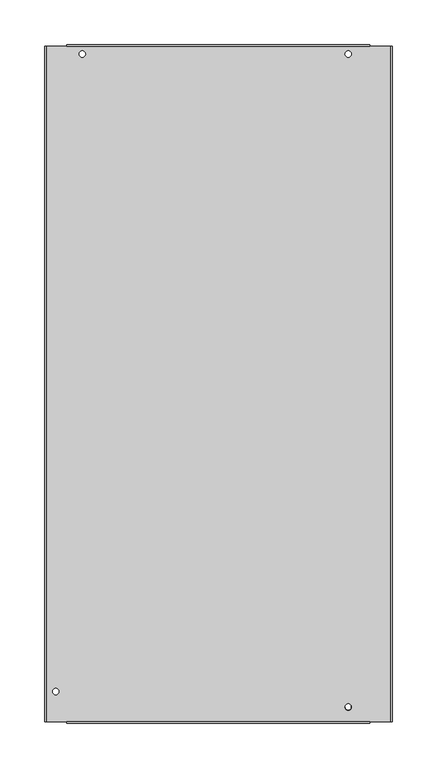
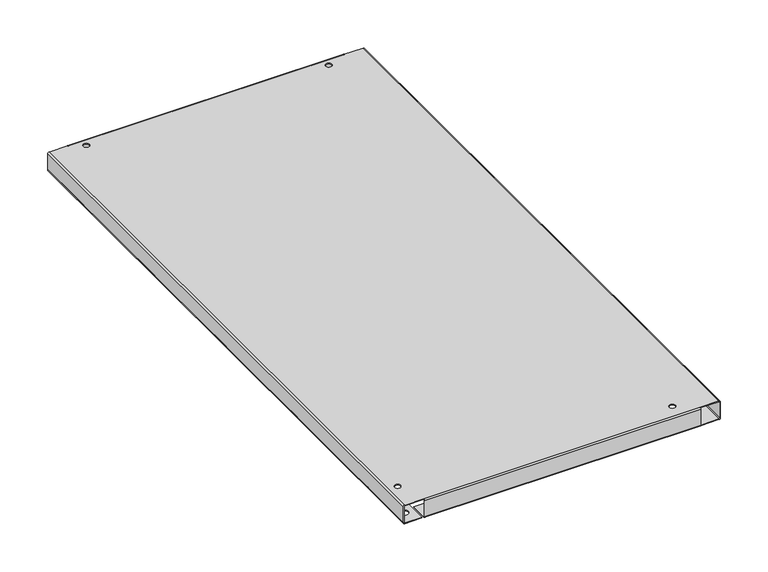
"""IFC4 building model written with IfcOpenShell, lengths in millimetres: proxy geometry."""

from ifc_helpers import new_model, si_unit, frame, origin, place, context, project, spatial, polyline, circle_curve, source, transform, mapped, element, save
from ifc_brep_helpers import plane_surface, cylinder_surface, revolved_surface, advanced_brep


def generic_models_75a52740(model_context):
    return source(origin(), model_context, "Body", "AdvancedBrep", [
        advanced_brep(
        [(-349.8094742, 743.1951179, -23.27656), (-349.8094742, 743.1951179, -22.42312), (-357.0484742, 743.1951179, -22.42312), (-357.0484742, 743.1951179, -23.27656), (-349.8094742, 743.1951179, 0.0), (-349.8094742, 743.1951179, 0.85344), (-357.0484742, 743.1951179, 0.85344), (-357.0484742, 743.1951179, 0.0), (-51.3556642, 10.1841379, 0.0), (-51.3556642, 10.1841379, 0.85344), (-58.5946642, 10.1841379, 0.85344), (-58.5946642, 10.1841379, 0.0), (-379.5985942, 27.6517179, -23.27656), (-379.5985942, 27.6517179, -22.42312), (-386.8375942, 27.6517179, -22.42312), (-386.8375942, 27.6517179, -23.27656), (-379.5985942, 27.6517179, 0.0), (-379.5985942, 27.6517179, 0.85344), (-386.8375942, 27.6517179, 0.85344), (-386.8375942, 27.6517179, 0.0), (-51.3594742, 743.1951179, -23.27656), (-51.3594742, 743.1951179, -22.42312), (-58.5984742, 743.1951179, -22.42312), (-58.5984742, 743.1951179, -23.27656), (-51.3594742, 743.1951179, 0.0), (-51.3594742, 743.1951179, 0.85344), (-58.5984742, 743.1951179, 0.85344), (-58.5984742, 743.1951179, 0.0), (-389.5630142, 10.5016379, -22.42312), (-389.5630142, 10.5016379, -23.27656), (-380.0380142, 10.5016379, -23.27656), (-380.0380142, 10.5016379, -22.42312), (-389.5630142, 742.8725379, -22.42312), (-389.5630142, 742.8725379, -23.27656), (-380.0380142, 742.8725379, -23.27656), (-380.0380142, 742.8725379, -22.42312), (-197.4568295, 7.0243779, -22.42312), (-197.4568295, 7.0243779, -23.27656), (-187.9318295, 7.0243779, -23.27656), (-187.9318295, 7.0243779, -22.42312), (-339.6968295, 7.0243779, -22.42312), (-339.6968295, 7.0243779, -23.27656), (-330.1718295, 7.0243779, -23.27656), (-330.1718295, 7.0243779, -22.42312), (-154.3209142, 746.8120779, -22.42312), (-154.3209142, 746.8120779, -23.27656), (-144.7959142, 746.8120779, -23.27656), (-144.7959142, 746.8120779, -22.42312), (-225.0878542, 741.1783579, -22.42312), (-225.0878542, 741.1783579, -23.27656), (-215.5628542, 741.1783579, -23.27656), (-215.5628542, 741.1783579, -22.42312), (-334.3180142, 743.7183579, -22.42312), (-334.3180142, 743.7183579, -23.27656), (-324.7930142, 743.7183579, -23.27656), (-324.7930142, 743.7183579, -22.42312), (-385.9562142, 564.6508979, -22.42312), (-385.9562142, 564.6508979, -23.27656), (-376.4312142, 564.6508979, -23.27656), (-376.4312142, 564.6508979, -22.42312), (-389.5630142, 342.1011779, -22.42312), (-389.5630142, 342.1011779, -23.27656), (-380.0380142, 342.1011779, -23.27656), (-380.0380142, 342.1011779, -22.42312), (-385.9562142, 691.6508979, -22.42312), (-385.9562142, 691.6508979, -23.27656), (-376.4312142, 691.6508979, -23.27656), (-376.4312142, 691.6508979, -22.42312), (-313.9878542, 741.1783579, -22.42312), (-313.9878542, 741.1783579, -23.27656), (-304.4628542, 741.1783579, -23.27656), (-304.4628542, 741.1783579, -22.42312), (-204.7526142, 743.7183579, -22.42312), (-204.7526142, 743.7183579, -23.27656), (-195.2276142, 743.7183579, -23.27656), (-195.2276142, 743.7183579, -22.42312), (-268.5768295, 7.0243779, -22.42312), (-268.5768295, 7.0243779, -23.27656), (-259.0518295, 7.0243779, -23.27656), (-259.0518295, 7.0243779, -22.42312), (-387.0230142, 394.5115379, -22.42312), (-387.0230142, 394.5115379, -23.27656), (-377.4980142, 394.5115379, -23.27656), (-377.4980142, 394.5115379, -22.42312), (-389.3487313, 372.0886677, -23.27656), (-386.8087313, 380.2674677, -23.27656), (-386.8087313, 380.2674677, -22.42312), (-389.3487313, 372.0886677, -22.42312), (-132.4970636, 751.2125425, -23.27656), (-122.9912322, 747.2780825, -23.27656), (-122.9912322, 747.2780825, -22.42312), (-132.4970636, 751.2125425, -22.42312), (-126.6339334, 738.4771534, -23.27656), (-136.1397648, 742.4116134, -23.27656), (-136.1397648, 742.4116134, -22.42312), (-126.6339334, 738.4771534, -22.42312), (-377.7122971, 377.4424882, -23.27656), (-380.2522971, 369.2636882, -23.27656), (-380.2522971, 369.2636882, -22.42312), (-377.7122971, 377.4424882, -22.42312), (-370.7390742, 752.1867179, -23.27656), (-30.5162342, 752.1867179, -23.27656), (-30.5162342, 731.0335979, -23.27656), (-370.7390742, 731.0335979, -23.27656), (-394.1070742, -6.4249221, -23.27656), (-394.1070742, 752.1867179, -23.27656), (-372.9539542, 752.1867179, -23.27656), (-372.9539542, -6.4249221, -23.27656), (-394.1070742, 752.1867179, -22.42312), (-394.1070742, -6.4249221, -22.42312), (-372.9539542, -6.4249221, -22.42312), (-372.9539542, 752.1867179, -22.42312), (-51.3556642, 14.7281979, -23.27656), (-51.3556642, 10.1841379, -23.27656), (-51.3556642, 10.1841379, -22.42312), (-51.3556642, 14.7281979, -22.42312), (-58.5946642, 10.1841379, -23.27656), (-58.5946642, 14.7281979, -23.27656), (-58.5946642, 14.7281979, -22.42312), (-58.5946642, 10.1841379, -22.42312), (-120.0500828, 14.7281979, -23.27656), (-120.0500828, 10.5016379, -23.27656), (-120.0500828, 10.5016379, -22.42312), (-120.0500828, 14.7281979, -22.42312), (-129.6448142, 9.6507379, -23.27656), (-129.6448142, 14.7281979, -23.27656), (-129.6448142, 14.7281979, -22.42312), (-129.6448142, 9.6507379, -22.42312), (-102.3398142, 14.7281979, -23.27656), (-102.3398142, 9.6507379, -23.27656), (-102.3398142, 9.6507379, -22.42312), (-102.3398142, 14.7281979, -22.42312), (-111.8648142, 9.6507379, -23.27656), (-111.8648142, 14.7281979, -23.27656), (-111.8648142, 14.7281979, -22.42312), (-111.8648142, 9.6507379, -22.42312), (-120.1199661, 9.6887697, -23.27656), (-120.1199661, 9.6887697, -22.42312), (-370.7390742, 14.7281979, -22.42312), (-370.7390742, -6.4249221, -22.42312), (-30.5162342, -6.4249221, -22.42312), (-30.5162342, 14.7281979, -22.42312), (-30.5162342, 14.7281979, -23.27656), (-30.5162342, -6.4249221, -23.27656), (-370.7390742, -6.4249221, -23.27656), (-370.7390742, 14.7281979, -23.27656), (-30.5162342, -8.1318021, -21.56968), (-370.7390742, -8.1318021, -21.56968), (-30.5162342, -7.2783621, -21.56968), (-370.7390742, -7.2783621, -21.56968), (-370.7390742, 753.8935979, -21.56968), (-30.5162342, 753.8935979, -21.56968), (-30.5162342, 752.1867179, -22.42312), (-30.5162342, 731.0335979, -22.42312), (-370.7390742, 752.1867179, -22.42312), (-370.7390742, 731.0335979, -22.42312), (-370.7390742, 753.0401579, -21.56968), (-30.5162342, 753.0401579, -21.56968), (-395.8139542, -6.4249221, -21.56968), (-395.8139542, 752.1867179, -21.56968), (-394.9605142, -6.4249221, -21.56968), (-394.9605142, 752.1867179, -21.56968), (-7.1482342, -6.4249221, -23.27656), (-7.1482342, 752.1867179, -23.27656), (-5.4413542, 752.1867179, -21.56968), (-5.4413542, -6.4249221, -21.56968), (-7.1482342, -6.4249221, -22.42312), (-28.3013542, -6.4249221, -22.42312), (-28.3013542, -6.4249221, -23.27656), (-7.1482342, 752.1867179, -22.42312), (-28.3013542, 752.1867179, -22.42312), (-6.2947942, 752.1867179, -21.56968), (-6.2947942, -6.4249221, -21.56968), (-28.3013542, 752.1867179, -23.27656), (-370.7390742, -8.1318021, -0.85344), (-370.7390742, -6.4249221, 0.85344), (-370.7390742, -6.4249221, 0.0), (-370.7390742, -7.2783621, -0.85344), (-30.5162342, -8.1318021, -0.85344), (-30.5162342, 753.8935979, -0.85344), (-30.5162342, 752.1867179, 0.85344), (-30.5162342, 752.1867179, 0.0), (-30.5162342, 753.0401579, -0.85344), (-370.7390742, 753.8935979, -0.85344), (-394.9605142, -6.4249221, -0.85344), (-394.1070742, -6.4249221, 0.0), (-394.1070742, -6.4249221, 0.85344), (-395.8139542, -6.4249221, -0.85344), (-394.9605142, 752.1867179, -0.85344), (-395.8139542, 752.1867179, -0.85344), (-394.1070742, 752.1867179, 0.85344), (-370.7390742, 752.1867179, 0.85344), (-370.7390742, 752.1867179, 0.0), (-394.1070742, 752.1867179, 0.0), (-6.2947942, 752.1867179, -0.85344), (-7.1482342, 752.1867179, 0.0), (-7.1482342, 752.1867179, 0.85344), (-5.4413542, 752.1867179, -0.85344), (-6.2947942, -6.4249221, -0.85344), (-5.4413542, -6.4249221, -0.85344), (-7.1482342, -6.4249221, 0.85344), (-30.5162342, -6.4249221, 0.85344), (-30.5162342, -6.4249221, 0.0), (-7.1482342, -6.4249221, 0.0), (-370.7390742, 753.0401579, -0.85344), (-30.5162342, -7.2783621, -0.85344)],
        [
            (0, 1),
            (1, 2, circle_curve(frame((-353.4289742, 743.1951179, -22.42312), z_axis=(0.0, 0.0, 1.0), x_axis=(1.0, 0.0, 0.0)), 3.6195)),
            (2, 3),
            (3, 0, circle_curve(frame((-353.4289742, 743.1951179, -23.27656), z_axis=(0.0, 0.0, -1.0), x_axis=(1.0, 0.0, 0.0)), 3.6195)),
            (4, 5),
            (5, 6, circle_curve(frame((-353.4289742, 743.1951179, 0.85344), z_axis=(0.0, 0.0, 1.0), x_axis=(1.0, 0.0, 0.0)), 3.6195)),
            (6, 7),
            (7, 4, circle_curve(frame((-353.4289742, 743.1951179, 0.0), z_axis=(0.0, 0.0, -1.0), x_axis=(1.0, 0.0, 0.0)), 3.6195)),
            (8, 9),
            (9, 10, circle_curve(frame((-54.9751642, 10.1841379, 0.85344), z_axis=(0.0, 0.0, 1.0), x_axis=(1.0, 0.0, 0.0)), 3.6195)),
            (10, 11),
            (11, 8, circle_curve(frame((-54.9751642, 10.1841379, 0.0), z_axis=(0.0, 0.0, -1.0), x_axis=(1.0, 0.0, 0.0)), 3.6195)),
            (12, 13),
            (13, 14, circle_curve(frame((-383.2180942, 27.6517179, -22.42312), z_axis=(0.0, 0.0, 1.0), x_axis=(1.0, 0.0, 0.0)), 3.6195)),
            (14, 15),
            (15, 12, circle_curve(frame((-383.2180942, 27.6517179, -23.27656), z_axis=(0.0, 0.0, -1.0), x_axis=(1.0, 0.0, 0.0)), 3.6195)),
            (16, 17),
            (17, 18, circle_curve(frame((-383.2180942, 27.6517179, 0.85344), z_axis=(0.0, 0.0, 1.0), x_axis=(1.0, 0.0, 0.0)), 3.6195)),
            (18, 19),
            (19, 16, circle_curve(frame((-383.2180942, 27.6517179, 0.0), z_axis=(0.0, 0.0, -1.0), x_axis=(1.0, 0.0, 0.0)), 3.6195)),
            (20, 21),
            (21, 22, circle_curve(frame((-54.9789742, 743.1951179, -22.42312), z_axis=(0.0, 0.0, 1.0), x_axis=(1.0, 0.0, 0.0)), 3.6195)),
            (22, 23),
            (23, 20, circle_curve(frame((-54.9789742, 743.1951179, -23.27656), z_axis=(0.0, 0.0, -1.0), x_axis=(1.0, 0.0, 0.0)), 3.6195)),
            (24, 25),
            (25, 26, circle_curve(frame((-54.9789742, 743.1951179, 0.85344), z_axis=(0.0, 0.0, 1.0), x_axis=(1.0, 0.0, 0.0)), 3.6195)),
            (26, 27),
            (27, 24, circle_curve(frame((-54.9789742, 743.1951179, 0.0), z_axis=(0.0, 0.0, -1.0), x_axis=(1.0, 0.0, 0.0)), 3.6195)),
            (28, 29),
            (29, 30, circle_curve(frame((-384.8005142, 10.5016379, -23.27656), z_axis=(0.0, 0.0, -1.0), x_axis=(-1.0, 0.0, 0.0)), 4.7625)),
            (30, 31),
            (31, 28, circle_curve(frame((-384.8005142, 10.5016379, -22.42312), z_axis=(0.0, 0.0, 1.0), x_axis=(-1.0, 0.0, 0.0)), 4.7625)),
            (32, 33),
            (33, 34, circle_curve(frame((-384.8005142, 742.8725379, -23.27656), z_axis=(0.0, 0.0, -1.0), x_axis=(-1.0, 0.0, 0.0)), 4.7625)),
            (34, 35),
            (35, 32, circle_curve(frame((-384.8005142, 742.8725379, -22.42312), z_axis=(0.0, 0.0, 1.0), x_axis=(-1.0, 0.0, 0.0)), 4.7625)),
            (36, 37),
            (37, 38, circle_curve(frame((-192.6943295, 7.0243779, -23.27656), z_axis=(0.0, 0.0, -1.0), x_axis=(-1.0, 0.0, 0.0)), 4.7625)),
            (38, 39),
            (39, 36, circle_curve(frame((-192.6943295, 7.0243779, -22.42312), z_axis=(0.0, 0.0, 1.0), x_axis=(-1.0, 0.0, 0.0)), 4.7625)),
            (40, 41),
            (41, 42, circle_curve(frame((-334.9343295, 7.0243779, -23.27656), z_axis=(0.0, 0.0, -1.0), x_axis=(-1.0, 0.0, 0.0)), 4.7625)),
            (42, 43),
            (43, 40, circle_curve(frame((-334.9343295, 7.0243779, -22.42312), z_axis=(0.0, 0.0, 1.0), x_axis=(-1.0, 0.0, 0.0)), 4.7625)),
            (44, 45),
            (45, 46, circle_curve(frame((-149.5584142, 746.8120779, -23.27656), z_axis=(0.0, 0.0, -1.0), x_axis=(-1.0, 0.0, 0.0)), 4.7625)),
            (46, 47),
            (47, 44, circle_curve(frame((-149.5584142, 746.8120779, -22.42312), z_axis=(0.0, 0.0, 1.0), x_axis=(-1.0, 0.0, 0.0)), 4.7625)),
            (48, 49),
            (49, 50, circle_curve(frame((-220.3253542, 741.1783579, -23.27656), z_axis=(0.0, 0.0, -1.0), x_axis=(-1.0, 0.0, 0.0)), 4.7625)),
            (50, 51),
            (51, 48, circle_curve(frame((-220.3253542, 741.1783579, -22.42312), z_axis=(0.0, 0.0, 1.0), x_axis=(-1.0, 0.0, 0.0)), 4.7625)),
            (52, 53),
            (53, 54, circle_curve(frame((-329.5555142, 743.7183579, -23.27656), z_axis=(0.0, 0.0, -1.0), x_axis=(-1.0, 0.0, 0.0)), 4.7625)),
            (54, 55),
            (55, 52, circle_curve(frame((-329.5555142, 743.7183579, -22.42312), z_axis=(0.0, 0.0, 1.0), x_axis=(-1.0, 0.0, 0.0)), 4.7625)),
            (56, 57),
            (57, 58, circle_curve(frame((-381.1937142, 564.6508979, -23.27656), z_axis=(0.0, 0.0, -1.0), x_axis=(-1.0, 0.0, 0.0)), 4.7625)),
            (58, 59),
            (59, 56, circle_curve(frame((-381.1937142, 564.6508979, -22.42312), z_axis=(0.0, 0.0, 1.0), x_axis=(-1.0, 0.0, 0.0)), 4.7625)),
            (60, 61),
            (61, 62, circle_curve(frame((-384.8005142, 342.1011779, -23.27656), z_axis=(0.0, 0.0, -1.0), x_axis=(-1.0, 0.0, 0.0)), 4.7625)),
            (62, 63),
            (63, 60, circle_curve(frame((-384.8005142, 342.1011779, -22.42312), z_axis=(0.0, 0.0, 1.0), x_axis=(-1.0, 0.0, 0.0)), 4.7625)),
            (64, 65),
            (65, 66, circle_curve(frame((-381.1937142, 691.6508979, -23.27656), z_axis=(0.0, 0.0, -1.0), x_axis=(-1.0, 0.0, 0.0)), 4.7625)),
            (66, 67),
            (67, 64, circle_curve(frame((-381.1937142, 691.6508979, -22.42312), z_axis=(0.0, 0.0, 1.0), x_axis=(-1.0, 0.0, 0.0)), 4.7625)),
            (68, 69),
            (69, 70, circle_curve(frame((-309.2253542, 741.1783579, -23.27656), z_axis=(0.0, 0.0, -1.0), x_axis=(-1.0, 0.0, 0.0)), 4.7625)),
            (70, 71),
            (71, 68, circle_curve(frame((-309.2253542, 741.1783579, -22.42312), z_axis=(0.0, 0.0, 1.0), x_axis=(-1.0, 0.0, 0.0)), 4.7625)),
            (72, 73),
            (73, 74, circle_curve(frame((-199.9901142, 743.7183579, -23.27656), z_axis=(0.0, 0.0, -1.0), x_axis=(-1.0, 0.0, 0.0)), 4.7625)),
            (74, 75),
            (75, 72, circle_curve(frame((-199.9901142, 743.7183579, -22.42312), z_axis=(0.0, 0.0, 1.0), x_axis=(-1.0, 0.0, 0.0)), 4.7625)),
            (76, 77),
            (77, 78, circle_curve(frame((-263.8143295, 7.0243779, -23.27656), z_axis=(0.0, 0.0, -1.0), x_axis=(-1.0, 0.0, 0.0)), 4.7625)),
            (78, 79),
            (79, 76, circle_curve(frame((-263.8143295, 7.0243779, -22.42312), z_axis=(0.0, 0.0, 1.0), x_axis=(-1.0, 0.0, 0.0)), 4.7625)),
            (80, 81),
            (81, 82, circle_curve(frame((-382.2605142, 394.5115379, -23.27656), z_axis=(0.0, 0.0, -1.0), x_axis=(-1.0, 0.0, 0.0)), 4.7625)),
            (82, 83),
            (83, 80, circle_curve(frame((-382.2605142, 394.5115379, -22.42312), z_axis=(0.0, 0.0, 1.0), x_axis=(-1.0, 0.0, 0.0)), 4.7625)),
            (80, 83, circle_curve(frame((-382.2605142, 394.5115379, -22.42312), z_axis=(0.0, 0.0, 1.0), x_axis=(-1.0, 0.0, 0.0)), 4.7625)),
            (82, 81, circle_curve(frame((-382.2605142, 394.5115379, -23.27656), z_axis=(0.0, 0.0, -1.0), x_axis=(-1.0, 0.0, 0.0)), 4.7625)),
            (84, 85),
            (85, 86),
            (86, 87),
            (87, 84),
            (88, 89),
            (89, 90),
            (90, 91),
            (91, 88),
            (92, 93),
            (93, 94),
            (94, 95),
            (95, 92),
            (96, 97),
            (97, 98),
            (98, 99),
            (99, 96),
            (100, 101),
            (101, 102),
            (102, 103),
            (103, 100),
            (88, 93, circle_curve(frame((-134.3184142, 746.8120779, -23.27656), z_axis=(0.0, 0.0, 1.0), x_axis=(-1.0, 0.0, 0.0)), 4.7625)),
            (92, 89, circle_curve(frame((-124.8125828, 742.8776179, -23.27656), z_axis=(0.0, 0.0, 1.0), x_axis=(0.9239820575623089, -0.3824358211555531, 0.0)), 4.7625)),
            (3, 0, circle_curve(frame((-353.4289742, 743.1951179, -23.27656), z_axis=(0.0, 0.0, 1.0), x_axis=(1.0, 0.0, 0.0)), 3.6195)),
            (23, 20, circle_curve(frame((-54.9789742, 743.1951179, -23.27656), z_axis=(0.0, 0.0, 1.0), x_axis=(1.0, 0.0, 0.0)), 3.6195)),
            (45, 46, circle_curve(frame((-149.5584142, 746.8120779, -23.27656), z_axis=(0.0, 0.0, 1.0), x_axis=(-1.0, 0.0, 0.0)), 4.7625)),
            (49, 50, circle_curve(frame((-220.3253542, 741.1783579, -23.27656), z_axis=(0.0, 0.0, 1.0), x_axis=(-1.0, 0.0, 0.0)), 4.7625)),
            (53, 54, circle_curve(frame((-329.5555142, 743.7183579, -23.27656), z_axis=(0.0, 0.0, 1.0), x_axis=(-1.0, 0.0, 0.0)), 4.7625)),
            (69, 70, circle_curve(frame((-309.2253542, 741.1783579, -23.27656), z_axis=(0.0, 0.0, 1.0), x_axis=(-1.0, 0.0, 0.0)), 4.7625)),
            (73, 74, circle_curve(frame((-199.9901142, 743.7183579, -23.27656), z_axis=(0.0, 0.0, 1.0), x_axis=(-1.0, 0.0, 0.0)), 4.7625)),
            (91, 94, circle_curve(frame((-134.3184142, 746.8120779, -22.42312), z_axis=(0.0, 0.0, 1.0), x_axis=(-1.0, 0.0, 0.0)), 4.7625)),
            (104, 105),
            (105, 106),
            (106, 107),
            (107, 104),
            (84, 97, circle_curve(frame((-384.8005142, 370.6761779, -23.27656), z_axis=(0.0, 0.0, 1.0), x_axis=(-1.0, 0.0, 0.0)), 4.7625)),
            (96, 85, circle_curve(frame((-382.2605142, 378.8549779, -23.27656), z_axis=(0.0, 0.0, 1.0), x_axis=(0.2965857815944634, 0.9550062168153678, 0.0)), 4.7625)),
            (15, 12, circle_curve(frame((-383.2180942, 27.6517179, -23.27656), z_axis=(0.0, 0.0, 1.0), x_axis=(1.0, 0.0, 0.0)), 3.6195)),
            (29, 30, circle_curve(frame((-384.8005142, 10.5016379, -23.27656), z_axis=(0.0, 0.0, 1.0), x_axis=(-1.0, 0.0, 0.0)), 4.7625)),
            (33, 34, circle_curve(frame((-384.8005142, 742.8725379, -23.27656), z_axis=(0.0, 0.0, 1.0), x_axis=(-1.0, 0.0, 0.0)), 4.7625)),
            (57, 58, circle_curve(frame((-381.1937142, 564.6508979, -23.27656), z_axis=(0.0, 0.0, 1.0), x_axis=(-1.0, 0.0, 0.0)), 4.7625)),
            (61, 62, circle_curve(frame((-384.8005142, 342.1011779, -23.27656), z_axis=(0.0, 0.0, 1.0), x_axis=(-1.0, 0.0, 0.0)), 4.7625)),
            (65, 66, circle_curve(frame((-381.1937142, 691.6508979, -23.27656), z_axis=(0.0, 0.0, 1.0), x_axis=(-1.0, 0.0, 0.0)), 4.7625)),
            (108, 109),
            (109, 110),
            (110, 111),
            (111, 108),
            (13, 14, circle_curve(frame((-383.2180942, 27.6517179, -22.42312), z_axis=(0.0, 0.0, -1.0), x_axis=(1.0, 0.0, 0.0)), 3.6195)),
            (31, 28, circle_curve(frame((-384.8005142, 10.5016379, -22.42312), z_axis=(0.0, 0.0, -1.0), x_axis=(-1.0, 0.0, 0.0)), 4.7625)),
            (35, 32, circle_curve(frame((-384.8005142, 742.8725379, -22.42312), z_axis=(0.0, 0.0, -1.0), x_axis=(-1.0, 0.0, 0.0)), 4.7625)),
            (59, 56, circle_curve(frame((-381.1937142, 564.6508979, -22.42312), z_axis=(0.0, 0.0, -1.0), x_axis=(-1.0, 0.0, 0.0)), 4.7625)),
            (63, 60, circle_curve(frame((-384.8005142, 342.1011779, -22.42312), z_axis=(0.0, 0.0, -1.0), x_axis=(-1.0, 0.0, 0.0)), 4.7625)),
            (67, 64, circle_curve(frame((-381.1937142, 691.6508979, -22.42312), z_axis=(0.0, 0.0, -1.0), x_axis=(-1.0, 0.0, 0.0)), 4.7625)),
            (86, 99, circle_curve(frame((-382.2605142, 378.8549779, -22.42312), z_axis=(0.0, 0.0, -1.0), x_axis=(0.2965857815944634, 0.9550062168153678, 0.0)), 4.7625)),
            (98, 87, circle_curve(frame((-384.8005142, 370.6761779, -22.42312), z_axis=(0.0, 0.0, -1.0), x_axis=(-1.0, 0.0, 0.0)), 4.7625)),
            (112, 113),
            (113, 114),
            (114, 115),
            (115, 112),
            (116, 117),
            (117, 118),
            (118, 119),
            (119, 116),
            (120, 121),
            (121, 122),
            (122, 123),
            (123, 120),
            (124, 125),
            (125, 126),
            (126, 127),
            (127, 124),
            (128, 129),
            (129, 130),
            (130, 131),
            (131, 128),
            (132, 133),
            (133, 134),
            (134, 135),
            (135, 132),
            (121, 136, circle_curve(frame((-124.8125828, 10.5016379, -23.27656), z_axis=(0.0, 0.0, -1.0), x_axis=(-1.0, 0.0, 0.0)), 4.7625)),
            (136, 137),
            (137, 122, circle_curve(frame((-124.8125828, 10.5016379, -22.42312), z_axis=(0.0, 0.0, 1.0), x_axis=(-1.0, 0.0, 0.0)), 4.7625)),
            (118, 131),
            (130, 135, circle_curve(frame((-107.1023142, 9.6507379, -22.42312), z_axis=(0.0, 0.0, -1.0), x_axis=(-1.0, 0.0, 0.0)), 4.7625)),
            (134, 123),
            (137, 127, circle_curve(frame((-124.8823142, 9.6507379, -22.42312), z_axis=(0.0, 0.0, -1.0), x_axis=(0.003992870362737045, -0.9999920284613605, 0.0)), 4.7625)),
            (126, 138),
            (138, 139),
            (139, 140),
            (140, 141),
            (141, 115),
            (114, 119, circle_curve(frame((-54.9751642, 10.1841379, -22.42312), z_axis=(0.0, 0.0, -1.0), x_axis=(1.0, 0.0, 0.0)), 3.6195)),
            (39, 36, circle_curve(frame((-192.6943295, 7.0243779, -22.42312), z_axis=(0.0, 0.0, -1.0), x_axis=(-1.0, 0.0, 0.0)), 4.7625)),
            (43, 40, circle_curve(frame((-334.9343295, 7.0243779, -22.42312), z_axis=(0.0, 0.0, -1.0), x_axis=(-1.0, 0.0, 0.0)), 4.7625)),
            (79, 76, circle_curve(frame((-263.8143295, 7.0243779, -22.42312), z_axis=(0.0, 0.0, -1.0), x_axis=(-1.0, 0.0, 0.0)), 4.7625)),
            (133, 120),
            (117, 128),
            (129, 132, circle_curve(frame((-107.1023142, 9.6507379, -23.27656), z_axis=(0.0, 0.0, -1.0), x_axis=(-1.0, 0.0, 0.0)), 4.7625)),
            (136, 124, circle_curve(frame((-124.8823142, 9.6507379, -23.27656), z_axis=(0.0, 0.0, -1.0), x_axis=(0.003992870362737045, -0.9999920284613605, 0.0)), 4.7625)),
            (78, 77, circle_curve(frame((-263.8143295, 7.0243779, -23.27656), z_axis=(0.0, 0.0, -1.0), x_axis=(-1.0, 0.0, 0.0)), 4.7625)),
            (72, 75, circle_curve(frame((-199.9901142, 743.7183579, -22.42312), z_axis=(0.0, 0.0, 1.0), x_axis=(-1.0, 0.0, 0.0)), 4.7625)),
            (68, 71, circle_curve(frame((-309.2253542, 741.1783579, -22.42312), z_axis=(0.0, 0.0, 1.0), x_axis=(-1.0, 0.0, 0.0)), 4.7625)),
            (52, 55, circle_curve(frame((-329.5555142, 743.7183579, -22.42312), z_axis=(0.0, 0.0, 1.0), x_axis=(-1.0, 0.0, 0.0)), 4.7625)),
            (48, 51, circle_curve(frame((-220.3253542, 741.1783579, -22.42312), z_axis=(0.0, 0.0, 1.0), x_axis=(-1.0, 0.0, 0.0)), 4.7625)),
            (44, 47, circle_curve(frame((-149.5584142, 746.8120779, -22.42312), z_axis=(0.0, 0.0, 1.0), x_axis=(-1.0, 0.0, 0.0)), 4.7625)),
            (42, 41, circle_curve(frame((-334.9343295, 7.0243779, -23.27656), z_axis=(0.0, 0.0, -1.0), x_axis=(-1.0, 0.0, 0.0)), 4.7625)),
            (38, 37, circle_curve(frame((-192.6943295, 7.0243779, -23.27656), z_axis=(0.0, 0.0, -1.0), x_axis=(-1.0, 0.0, 0.0)), 4.7625)),
            (95, 90, circle_curve(frame((-124.8125828, 742.8776179, -22.42312), z_axis=(0.0, 0.0, 1.0), x_axis=(0.9239820575623089, -0.3824358211555531, 0.0)), 4.7625)),
            (116, 113, circle_curve(frame((-54.9751642, 10.1841379, -23.27656), z_axis=(0.0, 0.0, 1.0), x_axis=(1.0, 0.0, 0.0)), 3.6195)),
            (112, 142),
            (142, 143),
            (143, 144),
            (144, 145),
            (145, 125),
            (141, 142),
            (24, 27, circle_curve(frame((-54.9789742, 743.1951179, 0.0), z_axis=(0.0, 0.0, -1.0), x_axis=(1.0, 0.0, 0.0)), 3.6195)),
            (26, 25, circle_curve(frame((-54.9789742, 743.1951179, 0.85344), z_axis=(0.0, 0.0, 1.0), x_axis=(1.0, 0.0, 0.0)), 3.6195)),
            (22, 21, circle_curve(frame((-54.9789742, 743.1951179, -22.42312), z_axis=(0.0, 0.0, 1.0), x_axis=(1.0, 0.0, 0.0)), 3.6195)),
            (16, 19, circle_curve(frame((-383.2180942, 27.6517179, 0.0), z_axis=(0.0, 0.0, -1.0), x_axis=(1.0, 0.0, 0.0)), 3.6195)),
            (18, 17, circle_curve(frame((-383.2180942, 27.6517179, 0.85344), z_axis=(0.0, 0.0, 1.0), x_axis=(1.0, 0.0, 0.0)), 3.6195)),
            (8, 11, circle_curve(frame((-54.9751642, 10.1841379, 0.0), z_axis=(0.0, 0.0, -1.0), x_axis=(1.0, 0.0, 0.0)), 3.6195)),
            (10, 9, circle_curve(frame((-54.9751642, 10.1841379, 0.85344), z_axis=(0.0, 0.0, 1.0), x_axis=(1.0, 0.0, 0.0)), 3.6195)),
            (4, 7, circle_curve(frame((-353.4289742, 743.1951179, 0.0), z_axis=(0.0, 0.0, -1.0), x_axis=(1.0, 0.0, 0.0)), 3.6195)),
            (6, 5, circle_curve(frame((-353.4289742, 743.1951179, 0.85344), z_axis=(0.0, 0.0, 1.0), x_axis=(1.0, 0.0, 0.0)), 3.6195)),
            (2, 1, circle_curve(frame((-353.4289742, 743.1951179, -22.42312), z_axis=(0.0, 0.0, 1.0), x_axis=(1.0, 0.0, 0.0)), 3.6195)),
            (143, 146, circle_curve(frame((-30.5162342, -6.4249221, -21.56968), z_axis=(-1.0, 0.0, 0.0), x_axis=(0.0, -1.0, 0.0)), 1.70688)),
            (146, 147),
            (147, 144, circle_curve(frame((-370.7390742, -6.4249221, -21.56968), z_axis=(1.0, 0.0, 0.0), x_axis=(0.0, -1.0, 0.0)), 1.70688)),
            (144, 139),
            (138, 145),
            (143, 140),
            (140, 148, circle_curve(frame((-30.5162342, -6.4249221, -21.56968), z_axis=(-1.0, 0.0, 0.0), x_axis=(0.0, -1.0, 0.0)), 0.85344)),
            (148, 146),
            (147, 149),
            (149, 139, circle_curve(frame((-370.7390742, -6.4249221, -21.56968), z_axis=(1.0, 0.0, 0.0), x_axis=(0.0, -1.0, 0.0)), 0.85344)),
            (149, 148),
            (100, 150, circle_curve(frame((-370.7390742, 752.1867179, -21.56968), z_axis=(1.0, 0.0, 0.0), x_axis=(0.0, 1.0, 0.0)), 1.70688)),
            (150, 151),
            (151, 101, circle_curve(frame((-30.5162342, 752.1867179, -21.56968), z_axis=(-1.0, 0.0, 0.0), x_axis=(0.0, 1.0, 0.0)), 1.70688)),
            (101, 152),
            (152, 153),
            (153, 102),
            (152, 154),
            (154, 155),
            (155, 153),
            (100, 154),
            (154, 156, circle_curve(frame((-370.7390742, 752.1867179, -21.56968), z_axis=(1.0, 0.0, 0.0), x_axis=(0.0, 1.0, 0.0)), 0.85344)),
            (156, 150),
            (151, 157),
            (157, 152, circle_curve(frame((-30.5162342, 752.1867179, -21.56968), z_axis=(-1.0, 0.0, 0.0), x_axis=(0.0, 1.0, 0.0)), 0.85344)),
            (103, 155),
            (157, 156),
            (104, 158, circle_curve(frame((-394.1070742, -6.4249221, -21.56968), z_axis=(0.0, 1.0, 0.0), x_axis=(-1.0, 0.0, 0.0)), 1.70688)),
            (158, 159),
            (159, 105, circle_curve(frame((-394.1070742, 752.1867179, -21.56968), z_axis=(0.0, -1.0, 0.0), x_axis=(-1.0, 0.0, 0.0)), 1.70688)),
            (105, 108),
            (111, 106),
            (104, 109),
            (109, 160, circle_curve(frame((-394.1070742, -6.4249221, -21.56968), z_axis=(0.0, 1.0, 0.0), x_axis=(-1.0, 0.0, 0.0)), 0.85344)),
            (160, 158),
            (159, 161),
            (161, 108, circle_curve(frame((-394.1070742, 752.1867179, -21.56968), z_axis=(0.0, -1.0, 0.0), x_axis=(-1.0, 0.0, 0.0)), 0.85344)),
            (107, 110),
            (161, 160),
            (162, 163),
            (163, 164, circle_curve(frame((-7.1482342, 752.1867179, -21.56968), z_axis=(0.0, -1.0, 0.0), x_axis=(1.0, 0.0, 0.0)), 1.70688)),
            (164, 165),
            (165, 162, circle_curve(frame((-7.1482342, -6.4249221, -21.56968), z_axis=(0.0, 1.0, 0.0), x_axis=(1.0, 0.0, 0.0)), 1.70688)),
            (162, 166),
            (166, 167),
            (167, 168),
            (168, 162),
            (166, 169),
            (169, 170),
            (170, 167),
            (163, 169),
            (169, 171, circle_curve(frame((-7.1482342, 752.1867179, -21.56968), z_axis=(0.0, -1.0, 0.0), x_axis=(1.0, 0.0, 0.0)), 0.85344)),
            (171, 164),
            (165, 172),
            (172, 166, circle_curve(frame((-7.1482342, -6.4249221, -21.56968), z_axis=(0.0, 1.0, 0.0), x_axis=(1.0, 0.0, 0.0)), 0.85344)),
            (163, 173),
            (173, 170),
            (173, 168),
            (172, 171),
            (147, 174),
            (174, 175, circle_curve(frame((-370.7390742, -6.4249221, -0.85344), z_axis=(-1.0, 0.0, 0.0), x_axis=(0.0, 0.0, 1.0)), 1.70688)),
            (175, 176),
            (176, 177, circle_curve(frame((-370.7390742, -6.4249221, -0.85344), z_axis=(1.0, 0.0, 0.0), x_axis=(0.0, 0.0, 1.0)), 0.85344)),
            (177, 149),
            (146, 178),
            (178, 174),
            (151, 179),
            (179, 180, circle_curve(frame((-30.5162342, 752.1867179, -0.85344), z_axis=(1.0, 0.0, 0.0), x_axis=(0.0, 0.0, 1.0)), 1.70688)),
            (180, 181),
            (181, 182, circle_curve(frame((-30.5162342, 752.1867179, -0.85344), z_axis=(-1.0, 0.0, 0.0), x_axis=(0.0, 0.0, 1.0)), 0.85344)),
            (182, 157),
            (150, 183),
            (183, 179),
            (160, 184),
            (184, 185, circle_curve(frame((-394.1070742, -6.4249221, -0.85344), z_axis=(0.0, 1.0, 0.0), x_axis=(0.0, 0.0, 1.0)), 0.85344)),
            (185, 176),
            (175, 186),
            (186, 187, circle_curve(frame((-394.1070742, -6.4249221, -0.85344), z_axis=(0.0, -1.0, 0.0), x_axis=(0.0, 0.0, 1.0)), 1.70688)),
            (187, 158),
            (161, 188),
            (188, 184),
            (159, 189),
            (189, 190, circle_curve(frame((-394.1070742, 752.1867179, -0.85344), z_axis=(0.0, 1.0, 0.0), x_axis=(0.0, 0.0, 1.0)), 1.70688)),
            (190, 191),
            (191, 192),
            (192, 193),
            (193, 188, circle_curve(frame((-394.1070742, 752.1867179, -0.85344), z_axis=(0.0, -1.0, 0.0), x_axis=(0.0, 0.0, 1.0)), 0.85344)),
            (171, 194),
            (194, 195, circle_curve(frame((-7.1482342, 752.1867179, -0.85344), z_axis=(0.0, -1.0, 0.0), x_axis=(0.0, 0.0, 1.0)), 0.85344)),
            (195, 181),
            (180, 196),
            (196, 197, circle_curve(frame((-7.1482342, 752.1867179, -0.85344), z_axis=(0.0, 1.0, 0.0), x_axis=(0.0, 0.0, 1.0)), 1.70688)),
            (197, 164),
            (172, 198),
            (198, 194),
            (165, 199),
            (199, 200, circle_curve(frame((-7.1482342, -6.4249221, -0.85344), z_axis=(0.0, -1.0, 0.0), x_axis=(0.0, 0.0, 1.0)), 1.70688)),
            (200, 201),
            (201, 202),
            (202, 203),
            (203, 198, circle_curve(frame((-7.1482342, -6.4249221, -0.85344), z_axis=(0.0, 1.0, 0.0), x_axis=(0.0, 0.0, 1.0)), 0.85344)),
            (156, 204),
            (204, 192, circle_curve(frame((-370.7390742, 752.1867179, -0.85344), z_axis=(1.0, 0.0, 0.0), x_axis=(0.0, 0.0, 1.0)), 0.85344)),
            (191, 183, circle_curve(frame((-370.7390742, 752.1867179, -0.85344), z_axis=(-1.0, 0.0, 0.0), x_axis=(0.0, 0.0, 1.0)), 1.70688)),
            (191, 180),
            (178, 201, circle_curve(frame((-30.5162342, -6.4249221, -0.85344), z_axis=(-1.0, 0.0, 0.0), x_axis=(0.0, 0.0, 1.0)), 1.70688)),
            (201, 175),
            (148, 205),
            (205, 202, circle_curve(frame((-30.5162342, -6.4249221, -0.85344), z_axis=(-1.0, 0.0, 0.0), x_axis=(0.0, 0.0, 1.0)), 0.85344)),
            (204, 182),
            (181, 192),
            (177, 205),
            (176, 202),
            (186, 190),
            (189, 187),
            (203, 195),
            (199, 197),
            (196, 200),
            (193, 185),
        ],
        [
            revolved_surface(polyline([(-349.8094742, 743.1951179, -22.42312000000004), (-349.8094742, 743.1951179, -23.276560000000018)]), (-353.4289742, 743.1951179, -855.6836193), (0.0, 0.0, 1.0)),
            revolved_surface(polyline([(-349.8094742, 743.1951179, 0.8534399999999778), (-349.8094742, 743.1951179, 0.0)]), (-353.4289742, 743.1951179, -855.6836193), (0.0, 0.0, 1.0)),
            revolved_surface(polyline([(-51.3556642, 10.1841379, 0.8534399999999778), (-51.3556642, 10.1841379, 0.0)]), (-54.9751642, 10.1841379, -855.6836193), (0.0, 0.0, 1.0)),
            revolved_surface(polyline([(-379.5985942, 27.6517179, -22.42312000000004), (-379.5985942, 27.6517179, -23.276560000000018)]), (-383.2180942, 27.6517179, -855.6836193), (0.0, 0.0, 1.0)),
            revolved_surface(polyline([(-379.5985942, 27.6517179, 0.8534399999999778), (-379.5985942, 27.6517179, 0.0)]), (-383.2180942, 27.6517179, -855.6836193), (0.0, 0.0, 1.0)),
            revolved_surface(polyline([(-51.3594742, 743.1951179, -22.42312000000004), (-51.3594742, 743.1951179, -23.276560000000018)]), (-54.9789742, 743.1951179, -855.6836193), (0.0, 0.0, 1.0)),
            revolved_surface(polyline([(-51.3594742, 743.1951179, 0.8534399999999778), (-51.3594742, 743.1951179, 0.0)]), (-54.9789742, 743.1951179, -855.6836193), (0.0, 0.0, 1.0)),
            revolved_surface(polyline([(-389.5630142, 10.5016379, -23.27656), (-389.5630142, 10.5016379, -22.42312)]), (-384.8005142, 10.5016379, -22.84984), (0.0, 0.0, -1.0)),
            revolved_surface(polyline([(-389.5630142, 742.8725379, -23.27656), (-389.5630142, 742.8725379, -22.42312)]), (-384.8005142, 742.8725379, -22.84984), (0.0, 0.0, -1.0)),
            revolved_surface(polyline([(-197.4568295, 7.0243779, -23.27656), (-197.4568295, 7.0243779, -22.42312)]), (-192.6943295, 7.0243779, -22.84984), (0.0, 0.0, -1.0)),
            revolved_surface(polyline([(-339.6968295, 7.0243779, -23.27656), (-339.6968295, 7.0243779, -22.42312)]), (-334.9343295, 7.0243779, -22.84984), (0.0, 0.0, -1.0)),
            revolved_surface(polyline([(-154.32091419999998, 746.8120779, -23.27656), (-154.32091419999998, 746.8120779, -22.42312)]), (-149.5584142, 746.8120779, -22.84984), (0.0, 0.0, -1.0)),
            revolved_surface(polyline([(-225.08785419999998, 741.1783579, -23.27656), (-225.08785419999998, 741.1783579, -22.42312)]), (-220.3253542, 741.1783579, -22.84984), (0.0, 0.0, -1.0)),
            revolved_surface(polyline([(-334.3180142, 743.7183579, -23.27656), (-334.3180142, 743.7183579, -22.42312)]), (-329.5555142, 743.7183579, -22.84984), (0.0, 0.0, -1.0)),
            revolved_surface(polyline([(-385.9562142, 564.6508979, -23.27656), (-385.9562142, 564.6508979, -22.42312)]), (-381.1937142, 564.6508979, -22.84984), (0.0, 0.0, -1.0)),
            revolved_surface(polyline([(-389.5630142, 342.1011779, -23.27656), (-389.5630142, 342.1011779, -22.42312)]), (-384.8005142, 342.1011779, -22.84984), (0.0, 0.0, -1.0)),
            revolved_surface(polyline([(-385.9562142, 691.6508979, -23.27656), (-385.9562142, 691.6508979, -22.42312)]), (-381.1937142, 691.6508979, -22.84984), (0.0, 0.0, -1.0)),
            revolved_surface(polyline([(-313.9878542, 741.1783579, -23.27656), (-313.9878542, 741.1783579, -22.42312)]), (-309.2253542, 741.1783579, -22.84984), (0.0, 0.0, -1.0)),
            revolved_surface(polyline([(-204.75261419999998, 743.7183579, -23.27656), (-204.75261419999998, 743.7183579, -22.42312)]), (-199.9901142, 743.7183579, -22.84984), (0.0, 0.0, -1.0)),
            revolved_surface(polyline([(-268.5768295, 7.0243779, -23.27656), (-268.5768295, 7.0243779, -22.42312)]), (-263.8143295, 7.0243779, -22.84984), (0.0, 0.0, -1.0)),
            revolved_surface(polyline([(-387.0230142, 394.5115379, -23.27656), (-387.0230142, 394.5115379, -22.42312)]), (-382.2605142, 394.5115379, -22.84984), (0.0, 0.0, -1.0)),
            plane_surface(frame((-386.8087313, 380.2674677, -23.27656), z_axis=(0.9550062168153679, -0.29658578159446325, 0.0), x_axis=(-0.29658578159446325, -0.9550062168153679, 0.0))),
            plane_surface(frame((-122.9912322, 747.2780825, -23.27656), z_axis=(-0.3824358211555599, -0.9239820575623061, 0.0), x_axis=(-0.9239820575623061, 0.3824358211555599, 0.0))),
            plane_surface(frame((-136.1397648, 742.4116134, -23.27656), z_axis=(0.38243582115556163, 0.9239820575623053, 0.0), x_axis=(0.9239820575623053, -0.38243582115556163, 0.0))),
            plane_surface(frame((-380.2522971, 369.2636882, -23.27656), z_axis=(-0.9550062168153679, 0.2965857815944631, 0.0), x_axis=(0.2965857815944631, 0.9550062168153679, 0.0))),
            plane_surface(frame((-200.6276542, 742.5753758, -23.27656), z_axis=(0.0, 0.0, -1.0), x_axis=(0.0, 1.0, 0.0))),
            revolved_surface(polyline([(-139.0809142, 746.8120779, -23.27656), (-139.0809142, 746.8120779, -22.42312)]), (-134.3184142, 746.8120779, -22.84984), (0.0, 0.0, -1.0)),
            plane_surface(frame((-384.4957321, 372.8808979, -23.27656), z_axis=(0.0, 0.0, -1.0), x_axis=(1.0, 0.0, 0.0))),
            plane_surface(frame((-384.4957321, 372.8808979, -22.42312), z_axis=(0.0, 0.0, 1.0), x_axis=(1.0, 0.0, 0.0))),
            plane_surface(frame((-51.3556642, 10.1841379, -23.27656), z_axis=(-1.0, 0.0, 0.0), x_axis=(0.0, 1.0, 0.0))),
            plane_surface(frame((-58.5946642, 14.7281979, -23.27656), z_axis=(1.0, 0.0, 0.0), x_axis=(0.0, -1.0, 0.0))),
            plane_surface(frame((-120.0500828, 10.5016379, -23.27656), z_axis=(-1.0, 0.0, 0.0), x_axis=(0.0, 1.0, 0.0))),
            plane_surface(frame((-129.6448142, 14.7281979, -23.27656), z_axis=(1.0, 0.0, 0.0), x_axis=(0.0, -1.0, 0.0))),
            plane_surface(frame((-102.3398142, 9.6507379, -23.27656), z_axis=(-1.0, 0.0, 0.0), x_axis=(0.0, 1.0, 0.0))),
            plane_surface(frame((-111.8648142, 14.7281979, -23.27656), z_axis=(1.0, 0.0, 0.0), x_axis=(0.0, -1.0, 0.0))),
            revolved_surface(polyline([(-129.5750828, 10.5016379, -23.27656), (-129.5750828, 10.5016379, -22.42312)]), (-124.8125828, 10.5016379, -22.84984), (0.0, 0.0, -1.0)),
            plane_surface(frame((-200.6276542, 3.18642, -22.42312), z_axis=(0.0, 0.0, 1.0), x_axis=(0.0, -1.0, 0.0))),
            plane_surface(frame((-30.5162342, 14.7281979, -22.42312), z_axis=(0.0, 1.0, 0.0), x_axis=(-1.0, 0.0, 0.0))),
            revolved_surface(polyline([(-111.8648142, 9.6507379, -23.27656), (-111.8648142, 9.6507379, -22.42312)]), (-107.1023142, 9.6507379, -22.84984), (0.0, 0.0, -1.0)),
            revolved_surface(polyline([(-124.86329815489746, 4.88827586445277, -23.27656), (-124.86329815489746, 4.88827586445277, -22.42312)]), (-124.8823142, 9.6507379, -22.84984), (0.0, 0.0, -1.0)),
            revolved_surface(polyline([(-389.5630142, 370.6761779, -23.27656), (-389.5630142, 370.6761779, -22.42312)]), (-384.8005142, 370.6761779, -22.84984), (0.0, 0.0, -1.0)),
            revolved_surface(polyline([(-380.8480244151564, 383.4031950075832, -23.27656), (-380.8480244151564, 383.4031950075832, -22.42312)]), (-382.2605142, 378.8549779, -22.84984), (0.0, 0.0, -1.0)),
            revolved_surface(polyline([(-120.4121182508595, 741.0562673017467, -23.27656), (-120.4121182508595, 741.0562673017467, -22.42312)]), (-124.8125828, 742.8776179, -22.84984), (0.0, 0.0, -1.0)),
            plane_surface(frame((-200.6276542, 3.18642, -23.27656), z_axis=(0.0, 0.0, -1.0), x_axis=(0.0, -1.0, 0.0))),
            revolved_surface(polyline([(-51.3556642, 10.1841379, -22.42312000000004), (-51.3556642, 10.1841379, -23.276560000000018)]), (-54.9751642, 10.1841379, -855.6836193), (0.0, 0.0, 1.0)),
            cylinder_surface(frame((-200.6276542, -6.4249221, -21.56968), z_axis=(1.0, 0.0, 0.0), x_axis=(0.0, -1.0, 0.0)), 1.70688),
            plane_surface(frame((-370.7390742, -6.4249221, -22.42312), z_axis=(-1.0, 0.0, 0.0), x_axis=(0.0, -1.0, 0.0))),
            plane_surface(frame((-30.5162342, -6.4249221, -22.42312), z_axis=(1.0, 0.0, 0.0), x_axis=(0.0, 0.0, -1.0))),
            plane_surface(frame((-370.7390742, -6.4249221, -23.27656), z_axis=(-1.0, 0.0, 0.0), x_axis=(0.0, 0.0, 1.0))),
            plane_surface(frame((-30.5162342, -6.4249221, -22.42312), z_axis=(1.0, 0.0, 0.0), x_axis=(0.0, 1.0, 0.0))),
            revolved_surface(polyline([(-30.516234199999985, -7.2783621, -21.56968), (-370.7390742, -7.2783621, -21.56968)]), (-200.6276542, -6.4249221, -21.56968), (1.0, 0.0, 0.0)),
            cylinder_surface(frame((-200.6276542, 752.1867179, -21.56968), z_axis=(-1.0, 0.0, 0.0), x_axis=(0.0, 1.0, 0.0)), 1.70688),
            plane_surface(frame((-30.5162342, 752.1867179, -22.42312), z_axis=(1.0, 0.0, 0.0), x_axis=(0.0, -1.0, 0.0))),
            plane_surface(frame((-200.6276542, 742.5753758, -22.42312), z_axis=(0.0, 0.0, 1.0), x_axis=(0.0, 1.0, 0.0))),
            plane_surface(frame((-370.7390742, 752.1867179, -22.42312), z_axis=(-1.0, 0.0, 0.0), x_axis=(0.0, 0.0, 1.0))),
            plane_surface(frame((-30.5162342, 752.1867179, -23.27656), z_axis=(1.0, 0.0, 0.0), x_axis=(0.0, 0.0, -1.0))),
            plane_surface(frame((-370.7390742, 752.1867179, -22.42312), z_axis=(-1.0, 0.0, 0.0), x_axis=(0.0, 1.0, 0.0))),
            plane_surface(frame((-370.7390742, 731.0335979, -22.42312), z_axis=(0.0, -1.0, 0.0), x_axis=(-1.0, 0.0, 0.0))),
            revolved_surface(polyline([(-370.7390742, 753.0401578999999, -21.56968), (-30.516234199999985, 753.0401578999999, -21.56968)]), (-200.6276542, 752.1867179, -21.56968), (-1.0, 0.0, 0.0)),
            cylinder_surface(frame((-394.1070742, 372.8808979, -21.56968), z_axis=(0.0, -1.0, 0.0), x_axis=(-1.0, 0.0, 0.0)), 1.70688),
            plane_surface(frame((-394.1070742, 752.1867179, -22.42312), z_axis=(0.0, 1.0, 0.0), x_axis=(-1.0, 0.0, 0.0))),
            plane_surface(frame((-394.1070742, -6.4249221, -22.42312), z_axis=(0.0, -1.0, 0.0), x_axis=(0.0, 0.0, -1.0))),
            plane_surface(frame((-394.1070742, 752.1867179, -23.27656), z_axis=(0.0, 1.0, 0.0), x_axis=(0.0, 0.0, 1.0))),
            plane_surface(frame((-394.1070742, -6.4249221, -22.42312), z_axis=(0.0, -1.0, 0.0), x_axis=(1.0, 0.0, 0.0))),
            plane_surface(frame((-372.9539542, -6.4249221, -22.42312), z_axis=(1.0, 0.0, 0.0), x_axis=(0.0, 0.0, -1.0))),
            revolved_surface(polyline([(-394.9605142, -6.424922100000003, -21.56968), (-394.9605142, 752.1867179, -21.56968)]), (-394.1070742, 372.8808979, -21.56968), (0.0, -1.0, 0.0)),
            cylinder_surface(frame((-7.1482342, 372.8808979, -21.56968), z_axis=(0.0, 1.0, 0.0), x_axis=(1.0, 0.0, 0.0)), 1.70688),
            plane_surface(frame((-7.1482342, -6.4249221, -22.42312), z_axis=(0.0, -1.0, 0.0), x_axis=(-1.0, 0.0, 0.0))),
            plane_surface(frame((-16.7595763, 372.8808979, -22.42312), z_axis=(0.0, 0.0, 1.0), x_axis=(-1.0, 0.0, 0.0))),
            plane_surface(frame((-7.1482342, 752.1867179, -22.42312), z_axis=(0.0, 1.0, 0.0), x_axis=(0.0, 0.0, 1.0))),
            plane_surface(frame((-7.1482342, -6.4249221, -23.27656), z_axis=(0.0, -1.0, 0.0), x_axis=(0.0, 0.0, -1.0))),
            plane_surface(frame((-7.1482342, 752.1867179, -22.42312), z_axis=(0.0, 1.0, 0.0), x_axis=(1.0, 0.0, 0.0))),
            plane_surface(frame((-28.3013542, 752.1867179, -22.42312), z_axis=(-1.0, 0.0, 0.0), x_axis=(0.0, 0.0, 1.0))),
            plane_surface(frame((-16.7595763, 372.8808979, -23.27656), z_axis=(0.0, 0.0, -1.0), x_axis=(-1.0, 0.0, 0.0))),
            revolved_surface(polyline([(-6.2947942, 752.1867179, -21.56968), (-6.2947942, -6.424922100000003, -21.56968)]), (-7.1482342, 372.8808979, -21.56968), (0.0, 1.0, 0.0)),
            plane_surface(frame((-370.7390742, -7.2345219, -0.0438402), z_axis=(-1.0, 0.0, 0.0), x_axis=(0.0, 0.0, -1.0))),
            plane_surface(frame((-200.6276542, -8.1318021, -11.0997821), z_axis=(0.0, -1.0, 0.0), x_axis=(1.0, 0.0, 0.0))),
            plane_surface(frame((-30.5162342, 752.9963178, -0.0438402), z_axis=(1.0, 0.0, 0.0), x_axis=(0.0, 0.0, -1.0))),
            plane_surface(frame((-200.6276542, 753.8935979, -11.0997821), z_axis=(0.0, 1.0, 0.0), x_axis=(1.0, 0.0, 0.0))),
            plane_surface(frame((-394.9605142, -6.4249221, -0.85344), z_axis=(0.0, -1.0, 0.0), x_axis=(1.0, 0.0, 0.0))),
            plane_surface(frame((-394.9605142, 372.8808979, -11.0997821), z_axis=(1.0, 0.0, 0.0), x_axis=(0.0, 0.0, 1.0))),
            plane_surface(frame((-394.9605142, 752.1867179, -0.85344), z_axis=(0.0, 1.0, 0.0), x_axis=(-1.0, 0.0, 0.0))),
            plane_surface(frame((-6.2947942, 752.1867179, -0.85344), z_axis=(0.0, 1.0, 0.0), x_axis=(1.0, 0.0, 0.0))),
            plane_surface(frame((-6.2947942, 372.8808979, -11.0997821), z_axis=(-1.0, 0.0, 0.0), x_axis=(0.0, 0.0, -1.0))),
            plane_surface(frame((-6.2947942, -6.4249221, -0.85344), z_axis=(0.0, -1.0, 0.0), x_axis=(-1.0, 0.0, 0.0))),
            plane_surface(frame((-370.7390742, 752.9963178, -0.0438402), z_axis=(-1.0, 0.0, 0.0), x_axis=(0.0, 0.0, -1.0))),
            cylinder_surface(frame((-200.6276542, 752.1867179, -0.85344), z_axis=(-1.0, 0.0, 0.0), x_axis=(0.0, 0.0, 1.0)), 1.70688),
            cylinder_surface(frame((-200.6276542, -6.4249221, -0.85344), z_axis=(1.0, 0.0, 0.0), x_axis=(0.0, 0.0, 1.0)), 1.70688),
            plane_surface(frame((-30.5162342, -7.2345219, -0.0438402), z_axis=(1.0, 0.0, 0.0), x_axis=(0.0, 0.0, -1.0))),
            revolved_surface(polyline([(-370.7390742, 752.1867179, 0.0), (-30.516234199999985, 752.1867179, 0.0)]), (-200.6276542, 752.1867179, -0.85344), (-1.0, 0.0, 0.0)),
            plane_surface(frame((-200.6276542, -7.2783621, -11.0997821), z_axis=(0.0, 1.0, 0.0), x_axis=(1.0, 0.0, 0.0))),
            revolved_surface(polyline([(-30.516234199999985, -6.4249221, 0.0), (-370.7390742, -6.4249221, 0.0)]), (-200.6276542, -6.4249221, -0.85344), (1.0, 0.0, 0.0)),
            plane_surface(frame((-200.6276542, 753.0401579, -11.0997821), z_axis=(0.0, -1.0, 0.0), x_axis=(1.0, 0.0, 0.0))),
            cylinder_surface(frame((-394.1070742, 372.8808979, -0.85344), z_axis=(0.0, -1.0, 0.0), x_axis=(0.0, 0.0, 1.0)), 1.70688),
            revolved_surface(polyline([(-7.1482342, 752.1867179, 0.0), (-7.1482342, -6.424922100000003, 0.0)]), (-7.1482342, 372.8808979, -0.85344), (0.0, 1.0, 0.0)),
            cylinder_surface(frame((-7.1482342, 372.8808979, -0.85344), z_axis=(0.0, 1.0, 0.0), x_axis=(0.0, 0.0, 1.0)), 1.70688),
            revolved_surface(polyline([(-394.1070742, -6.424922100000003, 0.0), (-394.1070742, 752.1867179, 0.0)]), (-394.1070742, 372.8808979, -0.85344), (0.0, -1.0, 0.0)),
            plane_surface(frame((-200.6276542, 372.8808979, 0.85344), z_axis=(0.0, 0.0, 1.0), x_axis=(1.0, 0.0, 0.0))),
            plane_surface(frame((-200.6276542, 372.8808979, 0.0), z_axis=(0.0, 0.0, -1.0), x_axis=(1.0, 0.0, 0.0))),
            plane_surface(frame((-395.8139542, 372.8808979, -11.0997821), z_axis=(-1.0, 0.0, 0.0), x_axis=(0.0, 0.0, 1.0))),
            plane_surface(frame((-5.4413542, 372.8808979, -11.0997821), z_axis=(1.0, 0.0, 0.0), x_axis=(0.0, 0.0, -1.0))),
        ],
        [
            (0, [[1, 2, 3, 4]]),
            (1, [[5, 6, 7, 8]]),
            (2, [[9, 10, 11, 12]]),
            (3, [[13, 14, 15, 16]]),
            (4, [[17, 18, 19, 20]]),
            (5, [[21, 22, 23, 24]]),
            (6, [[25, 26, 27, 28]]),
            (7, [[29, 30, 31, 32]]),
            (8, [[33, 34, 35, 36]]),
            (9, [[37, 38, 39, 40]]),
            (10, [[41, 42, 43, 44]]),
            (11, [[45, 46, 47, 48]]),
            (12, [[49, 50, 51, 52]]),
            (13, [[53, 54, 55, 56]]),
            (14, [[57, 58, 59, 60]]),
            (15, [[61, 62, 63, 64]]),
            (16, [[65, 66, 67, 68]]),
            (17, [[69, 70, 71, 72]]),
            (18, [[73, 74, 75, 76]]),
            (19, [[77, 78, 79, 80]]),
            (20, [[81, 82, 83, 84]]),
            (20, [[-81, 85, -83, 86]]),
            (21, [[87, 88, 89, 90]]),
            (22, [[91, 92, 93, 94]]),
            (23, [[95, 96, 97, 98]]),
            (24, [[99, 100, 101, 102]]),
            (25, [[103, 104, 105, 106], [-91, 107, -95, 108], [109, -4], [110, -24], [111, -46], [112, -50], [113, -54], [114, -70], [115, -74]]),
            (26, [[-94, 116, -96, -107]]),
            (27, [[117, 118, 119, 120], [-86, -82], [-87, 121, -99, 122], [123, -16], [124, -30], [125, -34], [126, -58], [127, -62], [128, -66]]),
            (28, [[129, 130, 131, 132], [-14, 133], [-32, 134], [-36, 135], [-60, 136], [-64, 137], [-68, 138], [-84, -85], [-89, 139, -101, 140]]),
            (29, [[141, 142, 143, 144]]),
            (30, [[145, 146, 147, 148]]),
            (31, [[149, 150, 151, 152]]),
            (32, [[153, 154, 155, 156]]),
            (33, [[157, 158, 159, 160]]),
            (34, [[161, 162, 163, 164]]),
            (35, [[-150, 165, 166, 167]]),
            (36, [[-147, 168, -159, 169, -163, 170, -151, -167, 171, -155, 172, 173, 174, 175, 176, -143, 177], [-40, 178], [-44, 179], [-80, 180]]),
            (37, [[-152, -170, -162, 181]]),
            (37, [[-146, 182, -160, -168]]),
            (38, [[-164, -169, -158, 183]]),
            (39, [[-156, -171, -166, 184]]),
            (19, [[-77, -180, -79, 185]]),
            (18, [[-73, 186, -75, -115]]),
            (17, [[-69, 187, -71, -114]]),
            (16, [[-65, -138, -67, -128]]),
            (40, [[-90, -140, -100, -121]]),
            (15, [[-61, -137, -63, -127]]),
            (14, [[-57, -136, -59, -126]]),
            (13, [[-53, 188, -55, -113]]),
            (12, [[-49, 189, -51, -112]]),
            (11, [[-45, 190, -47, -111]]),
            (10, [[-41, -179, -43, 191]]),
            (9, [[-37, -178, -39, 192]]),
            (41, [[-88, -122, -102, -139]]),
            (8, [[-33, -135, -35, -125]]),
            (7, [[-29, -134, -31, -124]]),
            (42, [[-92, -108, -98, 193]]),
            (43, [[-145, 194, -141, 195, 196, 197, 198, 199, -153, -184, -165, -149, -181, -161, -183, -157, -182], [-185, -78], [-191, -42], [-192, -38]]),
            (37, [[-144, -176, 200, -195]]),
            (6, [[-25, 201, -27, 202]]),
            (5, [[-21, -110, -23, 203]]),
            (4, [[-17, 204, -19, 205]]),
            (3, [[-13, -123, -15, -133]]),
            (2, [[-9, 206, -11, 207]]),
            (44, [[-148, -177, -142, -194]]),
            (1, [[-5, 208, -7, 209]]),
            (0, [[-1, -109, -3, 210]]),
            (45, [[-197, 211, 212, 213]]),
            (46, [[214, -173, 215, -198]]),
            (47, [[216, 217, 218, -211]]),
            (48, [[-214, -213, 219, 220]]),
            (49, [[-216, -196, -200, -175]]),
            (37, [[-154, -199, -215, -172]]),
            (50, [[-174, -220, 221, -217]]),
            (51, [[-103, 222, 223, 224]]),
            (52, [[225, 226, 227, -104]]),
            (53, [[228, 229, 230, -226], [-2, -210], [-22, -203], [-48, -190], [-52, -189], [-56, -188], [-72, -187], [-76, -186], [-93, -193, -97, -116]]),
            (54, [[231, 232, 233, -222]]),
            (55, [[-225, -224, 234, 235]]),
            (56, [[-231, -106, 236, -229]]),
            (57, [[-105, -227, -230, -236]]),
            (58, [[-228, -235, 237, -232]]),
            (59, [[-117, 238, 239, 240]]),
            (60, [[241, -132, 242, -118]]),
            (61, [[243, 244, 245, -238]]),
            (62, [[-241, -240, 246, 247]]),
            (63, [[-243, -120, 248, -130]]),
            (64, [[-119, -242, -131, -248]]),
            (65, [[-129, -247, 249, -244]]),
            (66, [[250, 251, 252, 253]]),
            (67, [[254, 255, 256, 257]]),
            (68, [[258, 259, 260, -255]]),
            (69, [[261, 262, 263, -251]]),
            (70, [[-254, -253, 264, 265]]),
            (71, [[-261, 266, 267, -259]]),
            (72, [[268, -256, -260, -267]]),
            (73, [[-250, -257, -268, -266]]),
            (74, [[-258, -265, 269, -262]]),
            (75, [[-219, 270, 271, 272, 273, 274]]),
            (76, [[-212, 275, 276, -270]]),
            (77, [[-234, 277, 278, 279, 280, 281]]),
            (78, [[-223, 282, 283, -277]]),
            (79, [[-245, 284, 285, 286, -272, 287, 288, 289]]),
            (80, [[-249, 290, 291, -284]]),
            (81, [[-246, 292, 293, 294, 295, 296, 297, -290]]),
            (82, [[-263, 298, 299, 300, -279, 301, 302, 303]]),
            (83, [[-269, 304, 305, -298]]),
            (84, [[-264, 306, 307, 308, 309, 310, 311, -304]]),
            (85, [[-233, 312, 313, -295, 314, -282]]),
            (86, [[-314, 315, -278, -283]]),
            (87, [[-271, -276, 316, 317]]),
            (88, [[-218, 318, 319, -309, -316, -275]]),
            (89, [[-313, 320, -280, 321]]),
            (90, [[-221, -274, 322, -318]]),
            (91, [[-273, 323, -319, -322]]),
            (92, [[-237, -281, -320, -312]]),
            (93, [[-288, 324, -293, 325]]),
            (94, [[-311, 326, -299, -305]]),
            (95, [[-307, 327, -302, 328]]),
            (96, [[-285, -291, -297, 329]]),
            (97, [[-287, -317, -308, -328, -301, -315, -294, -324], [-202, -26], [-205, -18], [-207, -10], [-209, -6]]),
            (98, [[-310, -323, -286, -329, -296, -321, -300, -326], [-201, -28], [-204, -20], [-206, -12], [-208, -8]]),
            (99, [[-239, -289, -325, -292]]),
            (100, [[-252, -303, -327, -306]]),
        ],
    ),
    ])


if __name__ == "__main__":
    model = new_model("IFC4")
    model_context = context("Model", 3, world=origin())
    ifc_project = project(units=[si_unit("LENGTHUNIT", "METRE", prefix="MILLI")], contexts=[model_context])
    site = spatial("IfcSite", under=ifc_project)
    building = spatial("IfcBuilding", under=site)
    placement = place(None, origin())
    generic_models_shape = generic_models_75a52740(model_context)
    element("IfcBuildingElementProxy", 1, Name="Generic Models", at=placement, inside=building, context=model_context, shape_type="MappedRepresentation", body=[
        mapped(generic_models_shape, transform((0.0, 0.0, 0.0), x_axis=(1.0, 0.0, 0.0), y_axis=(0.0, 1.0, 0.0), z_axis=(0.0, 0.0, 1.0))),
    ])
    save(model, "model.ifc")
